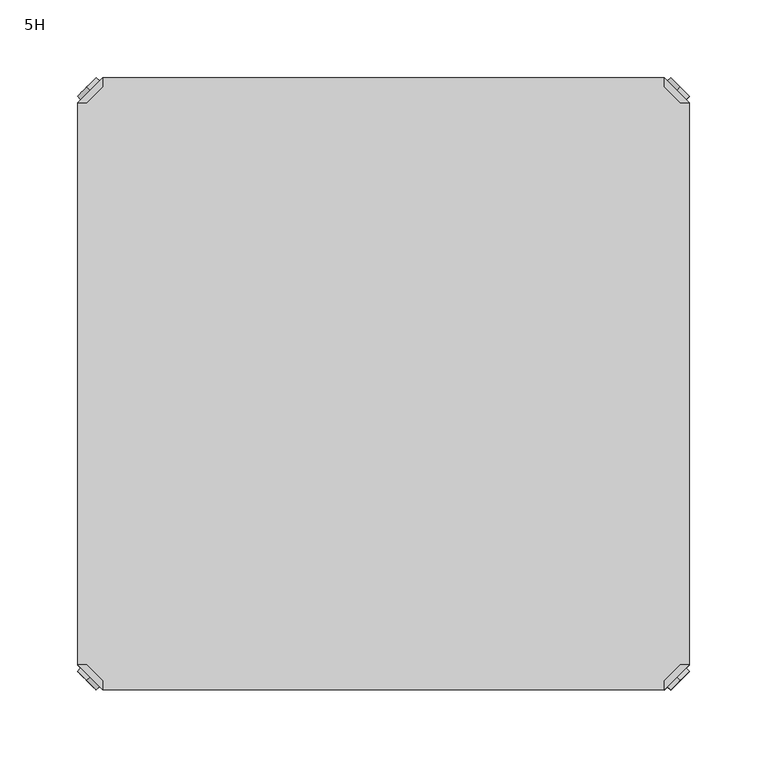
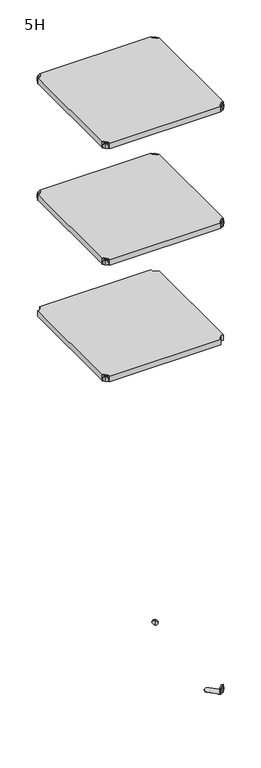
"""IFC4 building model written with IfcOpenShell, lengths in millimetres: furniture geometry, 5H."""

from ifc_helpers import new_model, si_unit, frame, origin, place, context, project, spatial, polyline, circle_curve, outline, extrude, source, transform, mapped, element, save
from ifc_brep_helpers import plane_surface, cylinder_surface, advanced_brep


def furniture_5h_ab9f8e36(model_context):
    return source(origin(), model_context, "Body", "SolidModel", [
        advanced_brep(
        [(10.9601551, 10.9601551, 1298.5), (10.9601551, 10.9601551, 1307.0), (10.9601551, 10.9601551, 1315.5), (8.8388348, 8.8388348, 1298.5), (8.8388348, 8.8388348, 1315.5), (8.8388348, 8.8388348, 1307.0)],
        [
            (0, 1),
            (1, 2),
            (2, 0, circle_curve(frame((10.9601551, 10.9601551, 1307.0), z_axis=(0.7071067811865464, 0.7071067811865487, 0.0), x_axis=(0.0, 0.0, 1.0)), 8.5)),
            (0, 2, circle_curve(frame((10.9601551, 10.9601551, 1307.0), z_axis=(0.7071067811865464, 0.7071067811865487, 0.0), x_axis=(0.0, 0.0, 1.0)), 8.5)),
            (3, 0),
            (2, 4),
            (4, 3, circle_curve(frame((8.8388348, 8.8388348, 1307.0), z_axis=(0.7071067811865464, 0.7071067811865487, 0.0), x_axis=(0.0, 0.0, 1.0)), 8.5)),
            (3, 4, circle_curve(frame((8.8388348, 8.8388348, 1307.0), z_axis=(0.7071067811865464, 0.7071067811865487, 0.0), x_axis=(0.0, 0.0, 1.0)), 8.5)),
            (5, 3),
            (4, 5),
        ],
        [
            plane_surface(frame((10.9601551, 10.9601551, 1307.0), z_axis=(0.707106781186546, 0.7071067811865491, 0.0), x_axis=(0.0, 0.0, 1.0))),
            cylinder_surface(frame((8.8388348, 8.8388348, 1307.0), z_axis=(-0.7071067811865464, -0.7071067811865487, 0.0), x_axis=(0.0, 0.0, 1.0)), 8.5),
            plane_surface(frame((8.8388348, 8.8388348, 1307.0), z_axis=(-0.707106781186546, -0.7071067811865491, 0.0), x_axis=(0.0, 0.0, 1.0))),
        ],
        [
            (0, [[1, 2, 3]]),
            (0, [[-2, -1, 4]]),
            (1, [[5, -3, 6, 7]]),
            (1, [[-6, -4, -5, 8]]),
            (2, [[9, -7, 10]]),
            (2, [[-10, -8, -9]]),
        ],
    ),
        advanced_brep(
        [(18.9203102, 3.0, 1317.0), (18.9203102, 8.6568542, 1317.0), (8.6568542, 18.9203102, 1317.0), (3.0, 18.9203102, 1317.0), (3.0, 18.9203102, 1298.0), (3.0, 18.9203102, 1297.0), (18.9203102, 3.0, 1297.0), (18.9203102, 3.0, 1298.0), (18.9203102, 8.6568542, 1298.0), (8.6568542, 18.9203102, 1298.0), (47.7297077, 31.8093975, 1298.0), (31.8093975, 47.7297077, 1298.0), (31.8093975, 47.7297077, 1297.0), (47.7297077, 31.8093975, 1297.0)],
        [
            (0, 1),
            (1, 2),
            (2, 3),
            (3, 0),
            (3, 4),
            (4, 5),
            (5, 6),
            (6, 7),
            (7, 0),
            (1, 8),
            (8, 9),
            (9, 2),
            (7, 8),
            (9, 4),
            (7, 10),
            (10, 11, circle_curve(frame((39.7695526, 39.7695526, 1298.0), z_axis=(0.0, 0.0, 1.0), x_axis=(1.0, 0.0, 0.0)), 11.2573593)),
            (11, 4),
            (5, 12),
            (12, 13, circle_curve(frame((39.7695526, 39.7695526, 1297.0), z_axis=(0.0, 0.0, -1.0), x_axis=(1.0, 0.0, 0.0)), 11.2573593)),
            (13, 6),
            (11, 12),
            (10, 13),
        ],
        [
            plane_surface(frame((-38.8756299, 60.7959401, 1317.0), z_axis=(0.0, 0.0, 1.0000000000000002), x_axis=(-0.7071067811865557, 0.7071067811865395, 0.0))),
            plane_surface(frame((18.9203102, 3.0, 1317.0), z_axis=(-0.7071067811865395, -0.7071067811865557, 0.0), x_axis=(0.0, 0.0, -1.0))),
            plane_surface(frame((8.6568542, 18.9203102, 1317.0), z_axis=(0.7071067811865481, 0.7071067811865469, 0.0), x_axis=(0.0, 0.0, -1.0))),
            plane_surface(frame((18.9203102, 8.6568542, 1317.0), z_axis=(1.0, 0.0, 0.0), x_axis=(0.0, 0.0, -1.0))),
            plane_surface(frame((3.0, 18.9203102, 1317.0), z_axis=(0.0, 1.0, 0.0), x_axis=(0.0, 0.0, -1.0))),
            plane_surface(frame((3.0, 18.9203102, 1298.0), z_axis=(0.0, 0.0, 1.0), x_axis=(-0.7071067811865485, 0.7071067811865466, 0.0))),
            plane_surface(frame((3.0, 18.9203102, 1297.0), z_axis=(0.0, 0.0, -1.0), x_axis=(0.7071067811865485, -0.7071067811865466, 0.0))),
            plane_surface(frame((3.0, 18.9203102, 1298.0), z_axis=(-0.7071067811865491, 0.707106781186546, 0.0), x_axis=(0.0, 0.0, -1.0))),
            cylinder_surface(frame((39.7695526, 39.7695526, 1297.0), z_axis=(0.0, 0.0, 1.0), x_axis=(1.0, 0.0, 0.0)), 11.2573593),
            plane_surface(frame((47.7297077, 31.8093975, 1298.0), z_axis=(0.707106781186548, -0.7071067811865471, 0.0), x_axis=(0.0, 0.0, -1.0))),
        ],
        [
            (0, [[1, 2, 3, 4]]),
            (1, [[5, 6, 7, 8, 9, -4]]),
            (2, [[10, 11, 12, -2]]),
            (3, [[-9, 13, -10, -1]]),
            (4, [[-12, 14, -5, -3]]),
            (5, [[-14, -11, -13, 15, 16, 17]]),
            (6, [[-7, 18, 19, 20]]),
            (7, [[21, -18, -6, -17]]),
            (8, [[22, -19, -21, -16]]),
            (9, [[-8, -20, -22, -15]]),
        ],
    ),
        extrude(outline(polyline([(381.0796898, 3.0), (18.9203102, 3.0), (18.9203102, 8.6568542), (8.6568542, 18.9203102), (3.0, 18.9203102), (3.0, 381.0796898), (8.6568542, 381.0796898), (18.9203102, 391.3431458), (18.9203102, 397.0), (381.0796898, 397.0), (381.0796898, 391.3431458), (391.3431458, 381.0796898), (397.0, 381.0796898), (397.0, 18.9203102), (391.3431458, 18.9203102), (381.0796898, 8.6568542), (381.0796898, 3.0)])), frame((0.0, 0.0, 1298.0), z_axis=(0.0, 0.0, 1.0), x_axis=(1.0, 0.0, 0.0)), (0.0, 0.0, 1.0), 19.0),
        advanced_brep(
        [(389.0398449, 10.9601551, 1698.5), (389.0398449, 10.9601551, 1715.5), (389.0398449, 10.9601551, 1707.0), (391.1611652, 8.8388348, 1698.5), (391.1611652, 8.8388348, 1715.5), (391.1611652, 8.8388348, 1707.0)],
        [
            (0, 1, circle_curve(frame((389.0398449, 10.9601551, 1707.0), z_axis=(-0.7071067811865556, 0.7071067811865395, 0.0), x_axis=(0.0, 0.0, 1.0)), 8.5)),
            (1, 2),
            (2, 0),
            (1, 0, circle_curve(frame((389.0398449, 10.9601551, 1707.0), z_axis=(-0.7071067811865556, 0.7071067811865395, 0.0), x_axis=(0.0, 0.0, 1.0)), 8.5)),
            (3, 4, circle_curve(frame((391.1611652, 8.8388348, 1707.0), z_axis=(-0.7071067811865556, 0.7071067811865395, 0.0), x_axis=(0.0, 0.0, 1.0)), 8.5)),
            (4, 1),
            (0, 3),
            (4, 3, circle_curve(frame((391.1611652, 8.8388348, 1707.0), z_axis=(-0.7071067811865556, 0.7071067811865395, 0.0), x_axis=(0.0, 0.0, 1.0)), 8.5)),
            (5, 4),
            (3, 5),
        ],
        [
            plane_surface(frame((389.0398449, 10.9601551, 1707.0), z_axis=(-0.7071067811865552, 0.7071067811865399, 0.0), x_axis=(0.0, 0.0, 1.0))),
            cylinder_surface(frame((391.1611652, 8.8388348, 1707.0), z_axis=(0.7071067811865556, -0.7071067811865395, 0.0), x_axis=(0.0, 0.0, 1.0)), 8.5),
            plane_surface(frame((391.1611652, 8.8388348, 1707.0), z_axis=(0.7071067811865552, -0.7071067811865399, 0.0), x_axis=(0.0, 0.0, 1.0))),
        ],
        [
            (0, [[1, 2, 3]]),
            (0, [[4, -3, -2]]),
            (1, [[5, 6, -1, 7]]),
            (1, [[8, -7, -4, -6]]),
            (2, [[9, -5, 10]]),
            (2, [[-10, -8, -9]]),
        ],
    ),
        advanced_brep(
        [(381.0796898, 3.0, 1717.0), (397.0, 18.9203102, 1717.0), (391.3431458, 18.9203102, 1717.0), (381.0796898, 8.6568542, 1717.0), (381.0796898, 3.0, 1698.0), (381.0796898, 3.0, 1697.0), (397.0, 18.9203102, 1697.0), (397.0, 18.9203102, 1698.0), (391.3431458, 18.9203102, 1698.0), (381.0796898, 8.6568542, 1698.0), (368.1906025, 47.7297077, 1698.0), (352.2702923, 31.8093975, 1698.0), (352.2702923, 31.8093975, 1697.0), (368.1906025, 47.7297077, 1697.0)],
        [
            (0, 1),
            (1, 2),
            (2, 3),
            (3, 0),
            (0, 4),
            (4, 5),
            (5, 6),
            (6, 7),
            (7, 1),
            (2, 8),
            (8, 9),
            (9, 3),
            (9, 4),
            (7, 8),
            (7, 10),
            (10, 11, circle_curve(frame((360.2304474, 39.7695526, 1698.0), z_axis=(0.0, 0.0, 1.0), x_axis=(-1.0, 0.0, 0.0)), 11.2573593)),
            (11, 4),
            (5, 12),
            (12, 13, circle_curve(frame((360.2304474, 39.7695526, 1697.0), z_axis=(0.0, 0.0, -1.0), x_axis=(-1.0, 0.0, 0.0)), 11.2573593)),
            (13, 6),
            (13, 10),
            (12, 11),
        ],
        [
            plane_surface(frame((438.8756299, 60.7959401, 1717.0), z_axis=(0.0, 0.0, 1.0000000000000002), x_axis=(0.7071067811865465, 0.7071067811865487, 0.0))),
            plane_surface(frame((381.0796898, 3.0, 1717.0), z_axis=(0.7071067811865487, -0.7071067811865465, 0.0), x_axis=(0.0, 0.0, -1.0))),
            plane_surface(frame((391.3431458, 18.9203102, 1717.0), z_axis=(-0.7071067811865573, 0.7071067811865377, 0.0), x_axis=(0.0, 0.0, -1.0))),
            plane_surface(frame((381.0796898, 8.6568542, 1717.0), z_axis=(-1.0, 0.0, 0.0), x_axis=(0.0, 0.0, -1.0))),
            plane_surface(frame((397.0, 18.9203102, 1717.0), z_axis=(0.0, 1.0, 0.0), x_axis=(0.0, 0.0, -1.0))),
            plane_surface(frame((397.0, 18.9203102, 1698.0), z_axis=(0.0, 0.0, 1.0), x_axis=(0.7071067811865392, 0.7071067811865558, 0.0))),
            plane_surface(frame((397.0, 18.9203102, 1697.0), z_axis=(0.0, 0.0, -1.0), x_axis=(-0.7071067811865392, -0.7071067811865558, 0.0))),
            plane_surface(frame((397.0, 18.9203102, 1698.0), z_axis=(0.7071067811865399, 0.7071067811865552, 0.0), x_axis=(0.0, 0.0, -1.0))),
            cylinder_surface(frame((360.2304474, 39.7695526, 1697.0), z_axis=(0.0, 0.0, 1.0), x_axis=(-1.0, 0.0, 0.0)), 11.2573593),
            plane_surface(frame((352.2702923, 31.8093975, 1698.0), z_axis=(-0.7071067811865388, -0.7071067811865563, 0.0), x_axis=(0.0, 0.0, -1.0))),
        ],
        [
            (0, [[1, 2, 3, 4]]),
            (1, [[-1, 5, 6, 7, 8, 9]]),
            (2, [[-3, 10, 11, 12]]),
            (3, [[-4, -12, 13, -5]]),
            (4, [[-2, -9, 14, -10]]),
            (5, [[15, 16, 17, -13, -11, -14]]),
            (6, [[18, 19, 20, -7]]),
            (7, [[-15, -8, -20, 21]]),
            (8, [[-16, -21, -19, 22]]),
            (9, [[-17, -22, -18, -6]]),
        ],
    ),
        advanced_brep(
        [(389.0398449, 389.0398449, 1698.5), (389.0398449, 389.0398449, 1707.0), (389.0398449, 389.0398449, 1715.5), (391.1611652, 391.1611652, 1698.5), (391.1611652, 391.1611652, 1715.5), (391.1611652, 391.1611652, 1707.0)],
        [
            (0, 1),
            (1, 2),
            (2, 0, circle_curve(frame((389.0398449, 389.0398449, 1707.0), z_axis=(-0.7071067811865509, -0.7071067811865441, 0.0), x_axis=(0.0, 0.0, 1.0)), 8.5)),
            (0, 2, circle_curve(frame((389.0398449, 389.0398449, 1707.0), z_axis=(-0.7071067811865509, -0.7071067811865441, 0.0), x_axis=(0.0, 0.0, 1.0)), 8.5)),
            (3, 0),
            (2, 4),
            (4, 3, circle_curve(frame((391.1611652, 391.1611652, 1707.0), z_axis=(-0.7071067811865509, -0.7071067811865441, 0.0), x_axis=(0.0, 0.0, 1.0)), 8.5)),
            (3, 4, circle_curve(frame((391.1611652, 391.1611652, 1707.0), z_axis=(-0.7071067811865509, -0.7071067811865441, 0.0), x_axis=(0.0, 0.0, 1.0)), 8.5)),
            (5, 3),
            (4, 5),
        ],
        [
            plane_surface(frame((389.0398449, 389.0398449, 1707.0), z_axis=(-0.7071067811865506, -0.7071067811865446, 0.0), x_axis=(0.0, 0.0, 1.0))),
            cylinder_surface(frame((391.1611652, 391.1611652, 1707.0), z_axis=(0.7071067811865509, 0.7071067811865441, 0.0), x_axis=(0.0, 0.0, 1.0)), 8.5),
            plane_surface(frame((391.1611652, 391.1611652, 1707.0), z_axis=(0.7071067811865506, 0.7071067811865446, 0.0), x_axis=(0.0, 0.0, 1.0))),
        ],
        [
            (0, [[1, 2, 3]]),
            (0, [[-2, -1, 4]]),
            (1, [[5, -3, 6, 7]]),
            (1, [[-6, -4, -5, 8]]),
            (2, [[9, -7, 10]]),
            (2, [[-10, -8, -9]]),
        ],
    ),
        advanced_brep(
        [(381.0796898, 397.0, 1717.0), (381.0796898, 391.3431458, 1717.0), (391.3431458, 381.0796898, 1717.0), (397.0, 381.0796898, 1717.0), (397.0, 381.0796898, 1698.0), (397.0, 381.0796898, 1697.0), (381.0796898, 397.0, 1697.0), (381.0796898, 397.0, 1698.0), (381.0796898, 391.3431458, 1698.0), (391.3431458, 381.0796898, 1698.0), (352.2702923, 368.1906025, 1698.0), (368.1906025, 352.2702923, 1698.0), (368.1906025, 352.2702923, 1697.0), (352.2702923, 368.1906025, 1697.0)],
        [
            (0, 1),
            (1, 2),
            (2, 3),
            (3, 0),
            (3, 4),
            (4, 5),
            (5, 6),
            (6, 7),
            (7, 0),
            (1, 8),
            (8, 9),
            (9, 2),
            (7, 8),
            (9, 4),
            (7, 10),
            (10, 11, circle_curve(frame((360.2304474, 360.2304474, 1698.0), z_axis=(0.0, 0.0, 1.0), x_axis=(-1.0, 0.0, 0.0)), 11.2573593)),
            (11, 4),
            (5, 12),
            (12, 13, circle_curve(frame((360.2304474, 360.2304474, 1697.0), z_axis=(0.0, 0.0, -1.0), x_axis=(-1.0, 0.0, 0.0)), 11.2573593)),
            (13, 6),
            (11, 12),
            (10, 13),
        ],
        [
            plane_surface(frame((438.8756299, 339.2040599, 1717.0), z_axis=(0.0, 0.0, 1.0000000000000002), x_axis=(0.7071067811865511, -0.707106781186544, 0.0))),
            plane_surface(frame((381.0796898, 397.0, 1717.0), z_axis=(0.707106781186544, 0.7071067811865511, 0.0), x_axis=(0.0, 0.0, -1.0))),
            plane_surface(frame((391.3431458, 381.0796898, 1717.0), z_axis=(-0.7071067811865527, -0.7071067811865424, 0.0), x_axis=(0.0, 0.0, -1.0))),
            plane_surface(frame((381.0796898, 391.3431458, 1717.0), z_axis=(-1.0, 0.0, 0.0), x_axis=(0.0, 0.0, -1.0))),
            plane_surface(frame((397.0, 381.0796898, 1717.0), z_axis=(0.0, -1.0, 0.0), x_axis=(0.0, 0.0, -1.0))),
            plane_surface(frame((397.0, 381.0796898, 1698.0), z_axis=(0.0, 0.0, 1.0), x_axis=(0.7071067811865439, -0.7071067811865511, 0.0))),
            plane_surface(frame((397.0, 381.0796898, 1697.0), z_axis=(0.0, 0.0, -1.0), x_axis=(-0.7071067811865439, 0.7071067811865511, 0.0))),
            plane_surface(frame((397.0, 381.0796898, 1698.0), z_axis=(0.7071067811865446, -0.7071067811865506, 0.0), x_axis=(0.0, 0.0, -1.0))),
            cylinder_surface(frame((360.2304474, 360.2304474, 1697.0), z_axis=(0.0, 0.0, 1.0), x_axis=(-1.0, 0.0, 0.0)), 11.2573593),
            plane_surface(frame((352.2702923, 368.1906025, 1698.0), z_axis=(-0.7071067811865435, 0.7071067811865517, 0.0), x_axis=(0.0, 0.0, -1.0))),
        ],
        [
            (0, [[1, 2, 3, 4]]),
            (1, [[5, 6, 7, 8, 9, -4]]),
            (2, [[10, 11, 12, -2]]),
            (3, [[-9, 13, -10, -1]]),
            (4, [[-12, 14, -5, -3]]),
            (5, [[-14, -11, -13, 15, 16, 17]]),
            (6, [[-7, 18, 19, 20]]),
            (7, [[21, -18, -6, -17]]),
            (8, [[22, -19, -21, -16]]),
            (9, [[-8, -20, -22, -15]]),
        ],
    ),
        advanced_brep(
        [(10.9601551, 389.0398449, 1698.5), (10.9601551, 389.0398449, 1715.5), (10.9601551, 389.0398449, 1707.0), (8.8388348, 391.1611652, 1698.5), (8.8388348, 391.1611652, 1715.5), (8.8388348, 391.1611652, 1707.0)],
        [
            (0, 1, circle_curve(frame((10.9601551, 389.0398449, 1707.0), z_axis=(0.7071067811865509, -0.7071067811865441, 0.0), x_axis=(0.0, 0.0, 1.0)), 8.5)),
            (1, 2),
            (2, 0),
            (1, 0, circle_curve(frame((10.9601551, 389.0398449, 1707.0), z_axis=(0.7071067811865509, -0.7071067811865441, 0.0), x_axis=(0.0, 0.0, 1.0)), 8.5)),
            (3, 4, circle_curve(frame((8.8388348, 391.1611652, 1707.0), z_axis=(0.7071067811865509, -0.7071067811865441, 0.0), x_axis=(0.0, 0.0, 1.0)), 8.5)),
            (4, 1),
            (0, 3),
            (4, 3, circle_curve(frame((8.8388348, 391.1611652, 1707.0), z_axis=(0.7071067811865509, -0.7071067811865441, 0.0), x_axis=(0.0, 0.0, 1.0)), 8.5)),
            (5, 4),
            (3, 5),
        ],
        [
            plane_surface(frame((10.9601551, 389.0398449, 1707.0), z_axis=(0.7071067811865506, -0.7071067811865446, 0.0), x_axis=(0.0, 0.0, 1.0))),
            cylinder_surface(frame((8.8388348, 391.1611652, 1707.0), z_axis=(-0.7071067811865509, 0.7071067811865441, 0.0), x_axis=(0.0, 0.0, 1.0)), 8.5),
            plane_surface(frame((8.8388348, 391.1611652, 1707.0), z_axis=(-0.7071067811865506, 0.7071067811865446, 0.0), x_axis=(0.0, 0.0, 1.0))),
        ],
        [
            (0, [[1, 2, 3]]),
            (0, [[4, -3, -2]]),
            (1, [[5, 6, -1, 7]]),
            (1, [[8, -7, -4, -6]]),
            (2, [[9, -5, 10]]),
            (2, [[-10, -8, -9]]),
        ],
    ),
        advanced_brep(
        [(18.9203102, 397.0, 1717.0), (3.0, 381.0796898, 1717.0), (8.6568542, 381.0796898, 1717.0), (18.9203102, 391.3431458, 1717.0), (18.9203102, 397.0, 1698.0), (18.9203102, 397.0, 1697.0), (3.0, 381.0796898, 1697.0), (3.0, 381.0796898, 1698.0), (8.6568542, 381.0796898, 1698.0), (18.9203102, 391.3431458, 1698.0), (31.8093975, 352.2702923, 1698.0), (47.7297077, 368.1906025, 1698.0), (47.7297077, 368.1906025, 1697.0), (31.8093975, 352.2702923, 1697.0)],
        [
            (0, 1),
            (1, 2),
            (2, 3),
            (3, 0),
            (0, 4),
            (4, 5),
            (5, 6),
            (6, 7),
            (7, 1),
            (2, 8),
            (8, 9),
            (9, 3),
            (9, 4),
            (7, 8),
            (7, 10),
            (10, 11, circle_curve(frame((39.7695526, 360.2304474, 1698.0), z_axis=(0.0, 0.0, 1.0), x_axis=(1.0, 0.0, 0.0)), 11.2573593)),
            (11, 4),
            (5, 12),
            (12, 13, circle_curve(frame((39.7695526, 360.2304474, 1697.0), z_axis=(0.0, 0.0, -1.0), x_axis=(1.0, 0.0, 0.0)), 11.2573593)),
            (13, 6),
            (13, 10),
            (12, 11),
        ],
        [
            plane_surface(frame((-38.8756299, 339.2040599, 1717.0), z_axis=(0.0, 0.0, 1.0000000000000002), x_axis=(-0.7071067811865511, -0.707106781186544, 0.0))),
            plane_surface(frame((18.9203102, 397.0, 1717.0), z_axis=(-0.707106781186544, 0.7071067811865511, 0.0), x_axis=(0.0, 0.0, -1.0))),
            plane_surface(frame((8.6568542, 381.0796898, 1717.0), z_axis=(0.7071067811865527, -0.7071067811865424, 0.0), x_axis=(0.0, 0.0, -1.0))),
            plane_surface(frame((18.9203102, 391.3431458, 1717.0), z_axis=(1.0, 0.0, 0.0), x_axis=(0.0, 0.0, -1.0))),
            plane_surface(frame((3.0, 381.0796898, 1717.0), z_axis=(0.0, -1.0, 0.0), x_axis=(0.0, 0.0, -1.0))),
            plane_surface(frame((3.0, 381.0796898, 1698.0), z_axis=(0.0, 0.0, 1.0), x_axis=(-0.7071067811865439, -0.7071067811865511, 0.0))),
            plane_surface(frame((3.0, 381.0796898, 1697.0), z_axis=(0.0, 0.0, -1.0), x_axis=(0.7071067811865439, 0.7071067811865511, 0.0))),
            plane_surface(frame((3.0, 381.0796898, 1698.0), z_axis=(-0.7071067811865446, -0.7071067811865506, 0.0), x_axis=(0.0, 0.0, -1.0))),
            cylinder_surface(frame((39.7695526, 360.2304474, 1697.0), z_axis=(0.0, 0.0, 1.0), x_axis=(1.0, 0.0, 0.0)), 11.2573593),
            plane_surface(frame((47.7297077, 368.1906025, 1698.0), z_axis=(0.7071067811865435, 0.7071067811865517, 0.0), x_axis=(0.0, 0.0, -1.0))),
        ],
        [
            (0, [[1, 2, 3, 4]]),
            (1, [[-1, 5, 6, 7, 8, 9]]),
            (2, [[-3, 10, 11, 12]]),
            (3, [[-4, -12, 13, -5]]),
            (4, [[-2, -9, 14, -10]]),
            (5, [[15, 16, 17, -13, -11, -14]]),
            (6, [[18, 19, 20, -7]]),
            (7, [[-15, -8, -20, 21]]),
            (8, [[-16, -21, -19, 22]]),
            (9, [[-17, -22, -18, -6]]),
        ],
    ),
        advanced_brep(
        [(10.9601551, 10.9601551, 1698.5), (10.9601551, 10.9601551, 1707.0), (10.9601551, 10.9601551, 1715.5), (8.8388348, 8.8388348, 1698.5), (8.8388348, 8.8388348, 1715.5), (8.8388348, 8.8388348, 1707.0)],
        [
            (0, 1),
            (1, 2),
            (2, 0, circle_curve(frame((10.9601551, 10.9601551, 1707.0), z_axis=(0.7071067811865464, 0.7071067811865487, 0.0), x_axis=(0.0, 0.0, 1.0)), 8.5)),
            (0, 2, circle_curve(frame((10.9601551, 10.9601551, 1707.0), z_axis=(0.7071067811865464, 0.7071067811865487, 0.0), x_axis=(0.0, 0.0, 1.0)), 8.5)),
            (3, 0),
            (2, 4),
            (4, 3, circle_curve(frame((8.8388348, 8.8388348, 1707.0), z_axis=(0.7071067811865464, 0.7071067811865487, 0.0), x_axis=(0.0, 0.0, 1.0)), 8.5)),
            (3, 4, circle_curve(frame((8.8388348, 8.8388348, 1707.0), z_axis=(0.7071067811865464, 0.7071067811865487, 0.0), x_axis=(0.0, 0.0, 1.0)), 8.5)),
            (5, 3),
            (4, 5),
        ],
        [
            plane_surface(frame((10.9601551, 10.9601551, 1707.0), z_axis=(0.707106781186546, 0.7071067811865491, 0.0), x_axis=(0.0, 0.0, 1.0))),
            cylinder_surface(frame((8.8388348, 8.8388348, 1707.0), z_axis=(-0.7071067811865464, -0.7071067811865487, 0.0), x_axis=(0.0, 0.0, 1.0)), 8.5),
            plane_surface(frame((8.8388348, 8.8388348, 1707.0), z_axis=(-0.707106781186546, -0.7071067811865491, 0.0), x_axis=(0.0, 0.0, 1.0))),
        ],
        [
            (0, [[1, 2, 3]]),
            (0, [[-2, -1, 4]]),
            (1, [[5, -3, 6, 7]]),
            (1, [[-6, -4, -5, 8]]),
            (2, [[9, -7, 10]]),
            (2, [[-10, -8, -9]]),
        ],
    ),
        advanced_brep(
        [(18.9203102, 3.0, 1717.0), (18.9203102, 8.6568542, 1717.0), (8.6568542, 18.9203102, 1717.0), (3.0, 18.9203102, 1717.0), (3.0, 18.9203102, 1698.0), (3.0, 18.9203102, 1697.0), (18.9203102, 3.0, 1697.0), (18.9203102, 3.0, 1698.0), (18.9203102, 8.6568542, 1698.0), (8.6568542, 18.9203102, 1698.0), (47.7297077, 31.8093975, 1698.0), (31.8093975, 47.7297077, 1698.0), (31.8093975, 47.7297077, 1697.0), (47.7297077, 31.8093975, 1697.0)],
        [
            (0, 1),
            (1, 2),
            (2, 3),
            (3, 0),
            (3, 4),
            (4, 5),
            (5, 6),
            (6, 7),
            (7, 0),
            (1, 8),
            (8, 9),
            (9, 2),
            (7, 8),
            (9, 4),
            (7, 10),
            (10, 11, circle_curve(frame((39.7695526, 39.7695526, 1698.0), z_axis=(0.0, 0.0, 1.0), x_axis=(1.0, 0.0, 0.0)), 11.2573593)),
            (11, 4),
            (5, 12),
            (12, 13, circle_curve(frame((39.7695526, 39.7695526, 1697.0), z_axis=(0.0, 0.0, -1.0), x_axis=(1.0, 0.0, 0.0)), 11.2573593)),
            (13, 6),
            (11, 12),
            (10, 13),
        ],
        [
            plane_surface(frame((-38.8756299, 60.7959401, 1717.0), z_axis=(0.0, 0.0, 1.0000000000000002), x_axis=(-0.7071067811865557, 0.7071067811865395, 0.0))),
            plane_surface(frame((18.9203102, 3.0, 1717.0), z_axis=(-0.7071067811865395, -0.7071067811865557, 0.0), x_axis=(0.0, 0.0, -1.0))),
            plane_surface(frame((8.6568542, 18.9203102, 1717.0), z_axis=(0.7071067811865481, 0.7071067811865469, 0.0), x_axis=(0.0, 0.0, -1.0))),
            plane_surface(frame((18.9203102, 8.6568542, 1717.0), z_axis=(1.0, 0.0, 0.0), x_axis=(0.0, 0.0, -1.0))),
            plane_surface(frame((3.0, 18.9203102, 1717.0), z_axis=(0.0, 1.0, 0.0), x_axis=(0.0, 0.0, -1.0))),
            plane_surface(frame((3.0, 18.9203102, 1698.0), z_axis=(0.0, 0.0, 1.0), x_axis=(-0.7071067811865485, 0.7071067811865466, 0.0))),
            plane_surface(frame((3.0, 18.9203102, 1697.0), z_axis=(0.0, 0.0, -1.0), x_axis=(0.7071067811865485, -0.7071067811865466, 0.0))),
            plane_surface(frame((3.0, 18.9203102, 1698.0), z_axis=(-0.7071067811865491, 0.707106781186546, 0.0), x_axis=(0.0, 0.0, -1.0))),
            cylinder_surface(frame((39.7695526, 39.7695526, 1697.0), z_axis=(0.0, 0.0, 1.0), x_axis=(1.0, 0.0, 0.0)), 11.2573593),
            plane_surface(frame((47.7297077, 31.8093975, 1698.0), z_axis=(0.707106781186548, -0.7071067811865471, 0.0), x_axis=(0.0, 0.0, -1.0))),
        ],
        [
            (0, [[1, 2, 3, 4]]),
            (1, [[5, 6, 7, 8, 9, -4]]),
            (2, [[10, 11, 12, -2]]),
            (3, [[-9, 13, -10, -1]]),
            (4, [[-12, 14, -5, -3]]),
            (5, [[-14, -11, -13, 15, 16, 17]]),
            (6, [[-7, 18, 19, 20]]),
            (7, [[21, -18, -6, -17]]),
            (8, [[22, -19, -21, -16]]),
            (9, [[-8, -20, -22, -15]]),
        ],
    ),
        extrude(outline(polyline([(381.0796898, 3.0), (18.9203102, 3.0), (18.9203102, 8.6568542), (8.6568542, 18.9203102), (3.0, 18.9203102), (3.0, 381.0796898), (8.6568542, 381.0796898), (18.9203102, 391.3431458), (18.9203102, 397.0), (381.0796898, 397.0), (381.0796898, 391.3431458), (391.3431458, 381.0796898), (397.0, 381.0796898), (397.0, 18.9203102), (391.3431458, 18.9203102), (381.0796898, 8.6568542), (381.0796898, 3.0)])), frame((0.0, 0.0, 1698.0), z_axis=(0.0, 0.0, 1.0), x_axis=(1.0, 0.0, 0.0)), (0.0, 0.0, 1.0), 19.0),
        advanced_brep(
        [(389.0398449, 10.9601551, 2098.5), (389.0398449, 10.9601551, 2115.5), (389.0398449, 10.9601551, 2107.0), (391.1611652, 8.8388348, 2098.5), (391.1611652, 8.8388348, 2115.5), (391.1611652, 8.8388348, 2107.0)],
        [
            (0, 1, circle_curve(frame((389.0398449, 10.9601551, 2107.0), z_axis=(-0.7071067811865556, 0.7071067811865395, 0.0), x_axis=(0.0, 0.0, 1.0)), 8.5)),
            (1, 2),
            (2, 0),
            (1, 0, circle_curve(frame((389.0398449, 10.9601551, 2107.0), z_axis=(-0.7071067811865556, 0.7071067811865395, 0.0), x_axis=(0.0, 0.0, 1.0)), 8.5)),
            (3, 4, circle_curve(frame((391.1611652, 8.8388348, 2107.0), z_axis=(-0.7071067811865556, 0.7071067811865395, 0.0), x_axis=(0.0, 0.0, 1.0)), 8.5)),
            (4, 1),
            (0, 3),
            (4, 3, circle_curve(frame((391.1611652, 8.8388348, 2107.0), z_axis=(-0.7071067811865556, 0.7071067811865395, 0.0), x_axis=(0.0, 0.0, 1.0)), 8.5)),
            (5, 4),
            (3, 5),
        ],
        [
            plane_surface(frame((389.0398449, 10.9601551, 2107.0), z_axis=(-0.7071067811865552, 0.7071067811865399, 0.0), x_axis=(0.0, 0.0, 1.0))),
            cylinder_surface(frame((391.1611652, 8.8388348, 2107.0), z_axis=(0.7071067811865556, -0.7071067811865395, 0.0), x_axis=(0.0, 0.0, 1.0)), 8.5),
            plane_surface(frame((391.1611652, 8.8388348, 2107.0), z_axis=(0.7071067811865552, -0.7071067811865399, 0.0), x_axis=(0.0, 0.0, 1.0))),
        ],
        [
            (0, [[1, 2, 3]]),
            (0, [[4, -3, -2]]),
            (1, [[5, 6, -1, 7]]),
            (1, [[8, -7, -4, -6]]),
            (2, [[9, -5, 10]]),
            (2, [[-10, -8, -9]]),
        ],
    ),
        advanced_brep(
        [(381.0796898, 3.0, 2117.0), (397.0, 18.9203102, 2117.0), (391.3431458, 18.9203102, 2117.0), (381.0796898, 8.6568542, 2117.0), (381.0796898, 3.0, 2098.0), (381.0796898, 3.0, 2097.0), (397.0, 18.9203102, 2097.0), (397.0, 18.9203102, 2098.0), (391.3431458, 18.9203102, 2098.0), (381.0796898, 8.6568542, 2098.0), (368.1906025, 47.7297077, 2098.0), (352.2702923, 31.8093975, 2098.0), (352.2702923, 31.8093975, 2097.0), (368.1906025, 47.7297077, 2097.0)],
        [
            (0, 1),
            (1, 2),
            (2, 3),
            (3, 0),
            (0, 4),
            (4, 5),
            (5, 6),
            (6, 7),
            (7, 1),
            (2, 8),
            (8, 9),
            (9, 3),
            (9, 4),
            (7, 8),
            (7, 10),
            (10, 11, circle_curve(frame((360.2304474, 39.7695526, 2098.0), z_axis=(0.0, 0.0, 1.0), x_axis=(-1.0, 0.0, 0.0)), 11.2573593)),
            (11, 4),
            (5, 12),
            (12, 13, circle_curve(frame((360.2304474, 39.7695526, 2097.0), z_axis=(0.0, 0.0, -1.0), x_axis=(-1.0, 0.0, 0.0)), 11.2573593)),
            (13, 6),
            (13, 10),
            (12, 11),
        ],
        [
            plane_surface(frame((438.8756299, 60.7959401, 2117.0), z_axis=(0.0, 0.0, 1.0000000000000002), x_axis=(0.7071067811865465, 0.7071067811865487, 0.0))),
            plane_surface(frame((381.0796898, 3.0, 2117.0), z_axis=(0.7071067811865487, -0.7071067811865465, 0.0), x_axis=(0.0, 0.0, -1.0))),
            plane_surface(frame((391.3431458, 18.9203102, 2117.0), z_axis=(-0.7071067811865573, 0.7071067811865377, 0.0), x_axis=(0.0, 0.0, -1.0))),
            plane_surface(frame((381.0796898, 8.6568542, 2117.0), z_axis=(-1.0, 0.0, 0.0), x_axis=(0.0, 0.0, -1.0))),
            plane_surface(frame((397.0, 18.9203102, 2117.0), z_axis=(0.0, 1.0, 0.0), x_axis=(0.0, 0.0, -1.0))),
            plane_surface(frame((397.0, 18.9203102, 2098.0), z_axis=(0.0, 0.0, 1.0), x_axis=(0.7071067811865392, 0.7071067811865558, 0.0))),
            plane_surface(frame((397.0, 18.9203102, 2097.0), z_axis=(0.0, 0.0, -1.0), x_axis=(-0.7071067811865392, -0.7071067811865558, 0.0))),
            plane_surface(frame((397.0, 18.9203102, 2098.0), z_axis=(0.7071067811865399, 0.7071067811865552, 0.0), x_axis=(0.0, 0.0, -1.0))),
            cylinder_surface(frame((360.2304474, 39.7695526, 2097.0), z_axis=(0.0, 0.0, 1.0), x_axis=(-1.0, 0.0, 0.0)), 11.2573593),
            plane_surface(frame((352.2702923, 31.8093975, 2098.0), z_axis=(-0.7071067811865388, -0.7071067811865563, 0.0), x_axis=(0.0, 0.0, -1.0))),
        ],
        [
            (0, [[1, 2, 3, 4]]),
            (1, [[-1, 5, 6, 7, 8, 9]]),
            (2, [[-3, 10, 11, 12]]),
            (3, [[-4, -12, 13, -5]]),
            (4, [[-2, -9, 14, -10]]),
            (5, [[15, 16, 17, -13, -11, -14]]),
            (6, [[18, 19, 20, -7]]),
            (7, [[-15, -8, -20, 21]]),
            (8, [[-16, -21, -19, 22]]),
            (9, [[-17, -22, -18, -6]]),
        ],
    ),
        advanced_brep(
        [(389.0398449, 389.0398449, 2098.5), (389.0398449, 389.0398449, 2107.0), (389.0398449, 389.0398449, 2115.5), (391.1611652, 391.1611652, 2098.5), (391.1611652, 391.1611652, 2115.5), (391.1611652, 391.1611652, 2107.0)],
        [
            (0, 1),
            (1, 2),
            (2, 0, circle_curve(frame((389.0398449, 389.0398449, 2107.0), z_axis=(-0.7071067811865509, -0.7071067811865441, 0.0), x_axis=(0.0, 0.0, 1.0)), 8.5)),
            (0, 2, circle_curve(frame((389.0398449, 389.0398449, 2107.0), z_axis=(-0.7071067811865509, -0.7071067811865441, 0.0), x_axis=(0.0, 0.0, 1.0)), 8.5)),
            (3, 0),
            (2, 4),
            (4, 3, circle_curve(frame((391.1611652, 391.1611652, 2107.0), z_axis=(-0.7071067811865509, -0.7071067811865441, 0.0), x_axis=(0.0, 0.0, 1.0)), 8.5)),
            (3, 4, circle_curve(frame((391.1611652, 391.1611652, 2107.0), z_axis=(-0.7071067811865509, -0.7071067811865441, 0.0), x_axis=(0.0, 0.0, 1.0)), 8.5)),
            (5, 3),
            (4, 5),
        ],
        [
            plane_surface(frame((389.0398449, 389.0398449, 2107.0), z_axis=(-0.7071067811865506, -0.7071067811865446, 0.0), x_axis=(0.0, 0.0, 1.0))),
            cylinder_surface(frame((391.1611652, 391.1611652, 2107.0), z_axis=(0.7071067811865509, 0.7071067811865441, 0.0), x_axis=(0.0, 0.0, 1.0)), 8.5),
            plane_surface(frame((391.1611652, 391.1611652, 2107.0), z_axis=(0.7071067811865506, 0.7071067811865446, 0.0), x_axis=(0.0, 0.0, 1.0))),
        ],
        [
            (0, [[1, 2, 3]]),
            (0, [[-2, -1, 4]]),
            (1, [[5, -3, 6, 7]]),
            (1, [[-6, -4, -5, 8]]),
            (2, [[9, -7, 10]]),
            (2, [[-10, -8, -9]]),
        ],
    ),
        advanced_brep(
        [(381.0796898, 397.0, 2117.0), (381.0796898, 391.3431458, 2117.0), (391.3431458, 381.0796898, 2117.0), (397.0, 381.0796898, 2117.0), (397.0, 381.0796898, 2098.0), (397.0, 381.0796898, 2097.0), (381.0796898, 397.0, 2097.0), (381.0796898, 397.0, 2098.0), (381.0796898, 391.3431458, 2098.0), (391.3431458, 381.0796898, 2098.0), (352.2702923, 368.1906025, 2098.0), (368.1906025, 352.2702923, 2098.0), (368.1906025, 352.2702923, 2097.0), (352.2702923, 368.1906025, 2097.0)],
        [
            (0, 1),
            (1, 2),
            (2, 3),
            (3, 0),
            (3, 4),
            (4, 5),
            (5, 6),
            (6, 7),
            (7, 0),
            (1, 8),
            (8, 9),
            (9, 2),
            (7, 8),
            (9, 4),
            (7, 10),
            (10, 11, circle_curve(frame((360.2304474, 360.2304474, 2098.0), z_axis=(0.0, 0.0, 1.0), x_axis=(-1.0, 0.0, 0.0)), 11.2573593)),
            (11, 4),
            (5, 12),
            (12, 13, circle_curve(frame((360.2304474, 360.2304474, 2097.0), z_axis=(0.0, 0.0, -1.0), x_axis=(-1.0, 0.0, 0.0)), 11.2573593)),
            (13, 6),
            (11, 12),
            (10, 13),
        ],
        [
            plane_surface(frame((438.8756299, 339.2040599, 2117.0), z_axis=(0.0, 0.0, 1.0000000000000002), x_axis=(0.7071067811865511, -0.707106781186544, 0.0))),
            plane_surface(frame((381.0796898, 397.0, 2117.0), z_axis=(0.707106781186544, 0.7071067811865511, 0.0), x_axis=(0.0, 0.0, -1.0))),
            plane_surface(frame((391.3431458, 381.0796898, 2117.0), z_axis=(-0.7071067811865527, -0.7071067811865424, 0.0), x_axis=(0.0, 0.0, -1.0))),
            plane_surface(frame((381.0796898, 391.3431458, 2117.0), z_axis=(-1.0, 0.0, 0.0), x_axis=(0.0, 0.0, -1.0))),
            plane_surface(frame((397.0, 381.0796898, 2117.0), z_axis=(0.0, -1.0, 0.0), x_axis=(0.0, 0.0, -1.0))),
            plane_surface(frame((397.0, 381.0796898, 2098.0), z_axis=(0.0, 0.0, 1.0), x_axis=(0.7071067811865439, -0.7071067811865511, 0.0))),
            plane_surface(frame((397.0, 381.0796898, 2097.0), z_axis=(0.0, 0.0, -1.0), x_axis=(-0.7071067811865439, 0.7071067811865511, 0.0))),
            plane_surface(frame((397.0, 381.0796898, 2098.0), z_axis=(0.7071067811865446, -0.7071067811865506, 0.0), x_axis=(0.0, 0.0, -1.0))),
            cylinder_surface(frame((360.2304474, 360.2304474, 2097.0), z_axis=(0.0, 0.0, 1.0), x_axis=(-1.0, 0.0, 0.0)), 11.2573593),
            plane_surface(frame((352.2702923, 368.1906025, 2098.0), z_axis=(-0.7071067811865435, 0.7071067811865517, 0.0), x_axis=(0.0, 0.0, -1.0))),
        ],
        [
            (0, [[1, 2, 3, 4]]),
            (1, [[5, 6, 7, 8, 9, -4]]),
            (2, [[10, 11, 12, -2]]),
            (3, [[-9, 13, -10, -1]]),
            (4, [[-12, 14, -5, -3]]),
            (5, [[-14, -11, -13, 15, 16, 17]]),
            (6, [[-7, 18, 19, 20]]),
            (7, [[21, -18, -6, -17]]),
            (8, [[22, -19, -21, -16]]),
            (9, [[-8, -20, -22, -15]]),
        ],
    ),
        advanced_brep(
        [(10.9601551, 389.0398449, 2098.5), (10.9601551, 389.0398449, 2115.5), (10.9601551, 389.0398449, 2107.0), (8.8388348, 391.1611652, 2098.5), (8.8388348, 391.1611652, 2115.5), (8.8388348, 391.1611652, 2107.0)],
        [
            (0, 1, circle_curve(frame((10.9601551, 389.0398449, 2107.0), z_axis=(0.7071067811865509, -0.7071067811865441, 0.0), x_axis=(0.0, 0.0, 1.0)), 8.5)),
            (1, 2),
            (2, 0),
            (1, 0, circle_curve(frame((10.9601551, 389.0398449, 2107.0), z_axis=(0.7071067811865509, -0.7071067811865441, 0.0), x_axis=(0.0, 0.0, 1.0)), 8.5)),
            (3, 4, circle_curve(frame((8.8388348, 391.1611652, 2107.0), z_axis=(0.7071067811865509, -0.7071067811865441, 0.0), x_axis=(0.0, 0.0, 1.0)), 8.5)),
            (4, 1),
            (0, 3),
            (4, 3, circle_curve(frame((8.8388348, 391.1611652, 2107.0), z_axis=(0.7071067811865509, -0.7071067811865441, 0.0), x_axis=(0.0, 0.0, 1.0)), 8.5)),
            (5, 4),
            (3, 5),
        ],
        [
            plane_surface(frame((10.9601551, 389.0398449, 2107.0), z_axis=(0.7071067811865506, -0.7071067811865446, 0.0), x_axis=(0.0, 0.0, 1.0))),
            cylinder_surface(frame((8.8388348, 391.1611652, 2107.0), z_axis=(-0.7071067811865509, 0.7071067811865441, 0.0), x_axis=(0.0, 0.0, 1.0)), 8.5),
            plane_surface(frame((8.8388348, 391.1611652, 2107.0), z_axis=(-0.7071067811865506, 0.7071067811865446, 0.0), x_axis=(0.0, 0.0, 1.0))),
        ],
        [
            (0, [[1, 2, 3]]),
            (0, [[4, -3, -2]]),
            (1, [[5, 6, -1, 7]]),
            (1, [[8, -7, -4, -6]]),
            (2, [[9, -5, 10]]),
            (2, [[-10, -8, -9]]),
        ],
    ),
        advanced_brep(
        [(18.9203102, 397.0, 2117.0), (3.0, 381.0796898, 2117.0), (8.6568542, 381.0796898, 2117.0), (18.9203102, 391.3431458, 2117.0), (18.9203102, 397.0, 2098.0), (18.9203102, 397.0, 2097.0), (3.0, 381.0796898, 2097.0), (3.0, 381.0796898, 2098.0), (8.6568542, 381.0796898, 2098.0), (18.9203102, 391.3431458, 2098.0), (31.8093975, 352.2702923, 2098.0), (47.7297077, 368.1906025, 2098.0), (47.7297077, 368.1906025, 2097.0), (31.8093975, 352.2702923, 2097.0)],
        [
            (0, 1),
            (1, 2),
            (2, 3),
            (3, 0),
            (0, 4),
            (4, 5),
            (5, 6),
            (6, 7),
            (7, 1),
            (2, 8),
            (8, 9),
            (9, 3),
            (9, 4),
            (7, 8),
            (7, 10),
            (10, 11, circle_curve(frame((39.7695526, 360.2304474, 2098.0), z_axis=(0.0, 0.0, 1.0), x_axis=(1.0, 0.0, 0.0)), 11.2573593)),
            (11, 4),
            (5, 12),
            (12, 13, circle_curve(frame((39.7695526, 360.2304474, 2097.0), z_axis=(0.0, 0.0, -1.0), x_axis=(1.0, 0.0, 0.0)), 11.2573593)),
            (13, 6),
            (13, 10),
            (12, 11),
        ],
        [
            plane_surface(frame((-38.8756299, 339.2040599, 2117.0), z_axis=(0.0, 0.0, 1.0000000000000002), x_axis=(-0.7071067811865511, -0.707106781186544, 0.0))),
            plane_surface(frame((18.9203102, 397.0, 2117.0), z_axis=(-0.707106781186544, 0.7071067811865511, 0.0), x_axis=(0.0, 0.0, -1.0))),
            plane_surface(frame((8.6568542, 381.0796898, 2117.0), z_axis=(0.7071067811865527, -0.7071067811865424, 0.0), x_axis=(0.0, 0.0, -1.0))),
            plane_surface(frame((18.9203102, 391.3431458, 2117.0), z_axis=(1.0, 0.0, 0.0), x_axis=(0.0, 0.0, -1.0))),
            plane_surface(frame((3.0, 381.0796898, 2117.0), z_axis=(0.0, -1.0, 0.0), x_axis=(0.0, 0.0, -1.0))),
            plane_surface(frame((3.0, 381.0796898, 2098.0), z_axis=(0.0, 0.0, 1.0), x_axis=(-0.7071067811865439, -0.7071067811865511, 0.0))),
            plane_surface(frame((3.0, 381.0796898, 2097.0), z_axis=(0.0, 0.0, -1.0), x_axis=(0.7071067811865439, 0.7071067811865511, 0.0))),
            plane_surface(frame((3.0, 381.0796898, 2098.0), z_axis=(-0.7071067811865446, -0.7071067811865506, 0.0), x_axis=(0.0, 0.0, -1.0))),
            cylinder_surface(frame((39.7695526, 360.2304474, 2097.0), z_axis=(0.0, 0.0, 1.0), x_axis=(1.0, 0.0, 0.0)), 11.2573593),
            plane_surface(frame((47.7297077, 368.1906025, 2098.0), z_axis=(0.7071067811865435, 0.7071067811865517, 0.0), x_axis=(0.0, 0.0, -1.0))),
        ],
        [
            (0, [[1, 2, 3, 4]]),
            (1, [[-1, 5, 6, 7, 8, 9]]),
            (2, [[-3, 10, 11, 12]]),
            (3, [[-4, -12, 13, -5]]),
            (4, [[-2, -9, 14, -10]]),
            (5, [[15, 16, 17, -13, -11, -14]]),
            (6, [[18, 19, 20, -7]]),
            (7, [[-15, -8, -20, 21]]),
            (8, [[-16, -21, -19, 22]]),
            (9, [[-17, -22, -18, -6]]),
        ],
    ),
        advanced_brep(
        [(10.9601551, 10.9601551, 2098.5), (10.9601551, 10.9601551, 2107.0), (10.9601551, 10.9601551, 2115.5), (8.8388348, 8.8388348, 2098.5), (8.8388348, 8.8388348, 2115.5), (8.8388348, 8.8388348, 2107.0)],
        [
            (0, 1),
            (1, 2),
            (2, 0, circle_curve(frame((10.9601551, 10.9601551, 2107.0), z_axis=(0.7071067811865464, 0.7071067811865487, 0.0), x_axis=(0.0, 0.0, 1.0)), 8.5)),
            (0, 2, circle_curve(frame((10.9601551, 10.9601551, 2107.0), z_axis=(0.7071067811865464, 0.7071067811865487, 0.0), x_axis=(0.0, 0.0, 1.0)), 8.5)),
            (3, 0),
            (2, 4),
            (4, 3, circle_curve(frame((8.8388348, 8.8388348, 2107.0), z_axis=(0.7071067811865464, 0.7071067811865487, 0.0), x_axis=(0.0, 0.0, 1.0)), 8.5)),
            (3, 4, circle_curve(frame((8.8388348, 8.8388348, 2107.0), z_axis=(0.7071067811865464, 0.7071067811865487, 0.0), x_axis=(0.0, 0.0, 1.0)), 8.5)),
            (5, 3),
            (4, 5),
        ],
        [
            plane_surface(frame((10.9601551, 10.9601551, 2107.0), z_axis=(0.707106781186546, 0.7071067811865491, 0.0), x_axis=(0.0, 0.0, 1.0))),
            cylinder_surface(frame((8.8388348, 8.8388348, 2107.0), z_axis=(-0.7071067811865464, -0.7071067811865487, 0.0), x_axis=(0.0, 0.0, 1.0)), 8.5),
            plane_surface(frame((8.8388348, 8.8388348, 2107.0), z_axis=(-0.707106781186546, -0.7071067811865491, 0.0), x_axis=(0.0, 0.0, 1.0))),
        ],
        [
            (0, [[1, 2, 3]]),
            (0, [[-2, -1, 4]]),
            (1, [[5, -3, 6, 7]]),
            (1, [[-6, -4, -5, 8]]),
            (2, [[9, -7, 10]]),
            (2, [[-10, -8, -9]]),
        ],
    ),
        advanced_brep(
        [(18.9203102, 3.0, 2117.0), (18.9203102, 8.6568542, 2117.0), (8.6568542, 18.9203102, 2117.0), (3.0, 18.9203102, 2117.0), (3.0, 18.9203102, 2098.0), (3.0, 18.9203102, 2097.0), (18.9203102, 3.0, 2097.0), (18.9203102, 3.0, 2098.0), (18.9203102, 8.6568542, 2098.0), (8.6568542, 18.9203102, 2098.0), (47.7297077, 31.8093975, 2098.0), (31.8093975, 47.7297077, 2098.0), (31.8093975, 47.7297077, 2097.0), (47.7297077, 31.8093975, 2097.0)],
        [
            (0, 1),
            (1, 2),
            (2, 3),
            (3, 0),
            (3, 4),
            (4, 5),
            (5, 6),
            (6, 7),
            (7, 0),
            (1, 8),
            (8, 9),
            (9, 2),
            (7, 8),
            (9, 4),
            (7, 10),
            (10, 11, circle_curve(frame((39.7695526, 39.7695526, 2098.0), z_axis=(0.0, 0.0, 1.0), x_axis=(1.0, 0.0, 0.0)), 11.2573593)),
            (11, 4),
            (5, 12),
            (12, 13, circle_curve(frame((39.7695526, 39.7695526, 2097.0), z_axis=(0.0, 0.0, -1.0), x_axis=(1.0, 0.0, 0.0)), 11.2573593)),
            (13, 6),
            (11, 12),
            (10, 13),
        ],
        [
            plane_surface(frame((-38.8756299, 60.7959401, 2117.0), z_axis=(0.0, 0.0, 1.0000000000000002), x_axis=(-0.7071067811865557, 0.7071067811865395, 0.0))),
            plane_surface(frame((18.9203102, 3.0, 2117.0), z_axis=(-0.7071067811865395, -0.7071067811865557, 0.0), x_axis=(0.0, 0.0, -1.0))),
            plane_surface(frame((8.6568542, 18.9203102, 2117.0), z_axis=(0.7071067811865481, 0.7071067811865469, 0.0), x_axis=(0.0, 0.0, -1.0))),
            plane_surface(frame((18.9203102, 8.6568542, 2117.0), z_axis=(1.0, 0.0, 0.0), x_axis=(0.0, 0.0, -1.0))),
            plane_surface(frame((3.0, 18.9203102, 2117.0), z_axis=(0.0, 1.0, 0.0), x_axis=(0.0, 0.0, -1.0))),
            plane_surface(frame((3.0, 18.9203102, 2098.0), z_axis=(0.0, 0.0, 1.0), x_axis=(-0.7071067811865485, 0.7071067811865466, 0.0))),
            plane_surface(frame((3.0, 18.9203102, 2097.0), z_axis=(0.0, 0.0, -1.0), x_axis=(0.7071067811865485, -0.7071067811865466, 0.0))),
            plane_surface(frame((3.0, 18.9203102, 2098.0), z_axis=(-0.7071067811865491, 0.707106781186546, 0.0), x_axis=(0.0, 0.0, -1.0))),
            cylinder_surface(frame((39.7695526, 39.7695526, 2097.0), z_axis=(0.0, 0.0, 1.0), x_axis=(1.0, 0.0, 0.0)), 11.2573593),
            plane_surface(frame((47.7297077, 31.8093975, 2098.0), z_axis=(0.707106781186548, -0.7071067811865471, 0.0), x_axis=(0.0, 0.0, -1.0))),
        ],
        [
            (0, [[1, 2, 3, 4]]),
            (1, [[5, 6, 7, 8, 9, -4]]),
            (2, [[10, 11, 12, -2]]),
            (3, [[-9, 13, -10, -1]]),
            (4, [[-12, 14, -5, -3]]),
            (5, [[-14, -11, -13, 15, 16, 17]]),
            (6, [[-7, 18, 19, 20]]),
            (7, [[21, -18, -6, -17]]),
            (8, [[22, -19, -21, -16]]),
            (9, [[-8, -20, -22, -15]]),
        ],
    ),
        extrude(outline(polyline([(381.0796898, 3.0), (18.9203102, 3.0), (18.9203102, 8.6568542), (8.6568542, 18.9203102), (3.0, 18.9203102), (3.0, 381.0796898), (8.6568542, 381.0796898), (18.9203102, 391.3431458), (18.9203102, 397.0), (381.0796898, 397.0), (381.0796898, 391.3431458), (391.3431458, 381.0796898), (397.0, 381.0796898), (397.0, 18.9203102), (391.3431458, 18.9203102), (381.0796898, 8.6568542), (381.0796898, 3.0)])), frame((0.0, 0.0, 2098.0), z_axis=(0.0, 0.0, 1.0), x_axis=(1.0, 0.0, 0.0)), (0.0, 0.0, 1.0), 19.0),
        advanced_brep(
        [(389.0398449, 10.9601551, 98.5), (389.0398449, 10.9601551, 115.5), (389.0398449, 10.9601551, 107.0), (391.1611652, 8.8388348, 98.5), (391.1611652, 8.8388348, 115.5), (391.1611652, 8.8388348, 107.0)],
        [
            (0, 1, circle_curve(frame((389.0398449, 10.9601551, 107.0), z_axis=(-0.7071067811865556, 0.7071067811865395, 0.0), x_axis=(0.0, 0.0, 1.0)), 8.5)),
            (1, 2),
            (2, 0),
            (1, 0, circle_curve(frame((389.0398449, 10.9601551, 107.0), z_axis=(-0.7071067811865556, 0.7071067811865395, 0.0), x_axis=(0.0, 0.0, 1.0)), 8.5)),
            (3, 4, circle_curve(frame((391.1611652, 8.8388348, 107.0), z_axis=(-0.7071067811865556, 0.7071067811865395, 0.0), x_axis=(0.0, 0.0, 1.0)), 8.5)),
            (4, 1),
            (0, 3),
            (4, 3, circle_curve(frame((391.1611652, 8.8388348, 107.0), z_axis=(-0.7071067811865556, 0.7071067811865395, 0.0), x_axis=(0.0, 0.0, 1.0)), 8.5)),
            (5, 4),
            (3, 5),
        ],
        [
            plane_surface(frame((389.0398449, 10.9601551, 107.0), z_axis=(-0.7071067811865552, 0.7071067811865399, 0.0), x_axis=(0.0, 0.0, 1.0))),
            cylinder_surface(frame((391.1611652, 8.8388348, 107.0), z_axis=(0.7071067811865556, -0.7071067811865395, 0.0), x_axis=(0.0, 0.0, 1.0)), 8.5),
            plane_surface(frame((391.1611652, 8.8388348, 107.0), z_axis=(0.7071067811865552, -0.7071067811865399, 0.0), x_axis=(0.0, 0.0, 1.0))),
        ],
        [
            (0, [[1, 2, 3]]),
            (0, [[4, -3, -2]]),
            (1, [[5, 6, -1, 7]]),
            (1, [[8, -7, -4, -6]]),
            (2, [[9, -5, 10]]),
            (2, [[-10, -8, -9]]),
        ],
    ),
        advanced_brep(
        [(381.0796898, 3.0, 117.0), (397.0, 18.9203102, 117.0), (391.3431458, 18.9203102, 117.0), (381.0796898, 8.6568542, 117.0), (381.0796898, 3.0, 98.0), (381.0796898, 3.0, 97.0), (397.0, 18.9203102, 97.0), (397.0, 18.9203102, 98.0), (391.3431458, 18.9203102, 98.0), (381.0796898, 8.6568542, 98.0), (368.1906025, 47.7297077, 98.0), (352.2702923, 31.8093975, 98.0), (352.2702923, 31.8093975, 97.0), (368.1906025, 47.7297077, 97.0)],
        [
            (0, 1),
            (1, 2),
            (2, 3),
            (3, 0),
            (0, 4),
            (4, 5),
            (5, 6),
            (6, 7),
            (7, 1),
            (2, 8),
            (8, 9),
            (9, 3),
            (9, 4),
            (7, 8),
            (7, 10),
            (10, 11, circle_curve(frame((360.2304474, 39.7695526, 98.0), z_axis=(0.0, 0.0, 1.0), x_axis=(-1.0, 0.0, 0.0)), 11.2573593)),
            (11, 4),
            (5, 12),
            (12, 13, circle_curve(frame((360.2304474, 39.7695526, 97.0), z_axis=(0.0, 0.0, -1.0), x_axis=(-1.0, 0.0, 0.0)), 11.2573593)),
            (13, 6),
            (13, 10),
            (12, 11),
        ],
        [
            plane_surface(frame((438.8756299, 60.7959401, 117.0), z_axis=(0.0, 0.0, 1.0000000000000002), x_axis=(0.7071067811865465, 0.7071067811865487, 0.0))),
            plane_surface(frame((381.0796898, 3.0, 117.0), z_axis=(0.7071067811865487, -0.7071067811865465, 0.0), x_axis=(0.0, 0.0, -1.0))),
            plane_surface(frame((391.3431458, 18.9203102, 117.0), z_axis=(-0.7071067811865573, 0.7071067811865377, 0.0), x_axis=(0.0, 0.0, -1.0))),
            plane_surface(frame((381.0796898, 8.6568542, 117.0), z_axis=(-1.0, 0.0, 0.0), x_axis=(0.0, 0.0, -1.0))),
            plane_surface(frame((397.0, 18.9203102, 117.0), z_axis=(0.0, 1.0, 0.0), x_axis=(0.0, 0.0, -1.0))),
            plane_surface(frame((397.0, 18.9203102, 98.0), z_axis=(0.0, 0.0, 1.0), x_axis=(0.7071067811865392, 0.7071067811865558, 0.0))),
            plane_surface(frame((397.0, 18.9203102, 97.0), z_axis=(0.0, 0.0, -1.0), x_axis=(-0.7071067811865392, -0.7071067811865558, 0.0))),
            plane_surface(frame((397.0, 18.9203102, 98.0), z_axis=(0.7071067811865399, 0.7071067811865552, 0.0), x_axis=(0.0, 0.0, -1.0))),
            cylinder_surface(frame((360.2304474, 39.7695526, 97.0), z_axis=(0.0, 0.0, 1.0), x_axis=(-1.0, 0.0, 0.0)), 11.2573593),
            plane_surface(frame((352.2702923, 31.8093975, 98.0), z_axis=(-0.7071067811865388, -0.7071067811865563, 0.0), x_axis=(0.0, 0.0, -1.0))),
        ],
        [
            (0, [[1, 2, 3, 4]]),
            (1, [[-1, 5, 6, 7, 8, 9]]),
            (2, [[-3, 10, 11, 12]]),
            (3, [[-4, -12, 13, -5]]),
            (4, [[-2, -9, 14, -10]]),
            (5, [[15, 16, 17, -13, -11, -14]]),
            (6, [[18, 19, 20, -7]]),
            (7, [[-15, -8, -20, 21]]),
            (8, [[-16, -21, -19, 22]]),
            (9, [[-17, -22, -18, -6]]),
        ],
    ),
        advanced_brep(
        [(389.0398449, 389.0398449, 98.5), (389.0398449, 389.0398449, 107.0), (389.0398449, 389.0398449, 115.5), (391.1611652, 391.1611652, 98.5), (391.1611652, 391.1611652, 115.5), (391.1611652, 391.1611652, 107.0)],
        [
            (0, 1),
            (1, 2),
            (2, 0, circle_curve(frame((389.0398449, 389.0398449, 107.0), z_axis=(-0.7071067811865509, -0.7071067811865441, 0.0), x_axis=(0.0, 0.0, 1.0)), 8.5)),
            (0, 2, circle_curve(frame((389.0398449, 389.0398449, 107.0), z_axis=(-0.7071067811865509, -0.7071067811865441, 0.0), x_axis=(0.0, 0.0, 1.0)), 8.5)),
            (3, 0),
            (2, 4),
            (4, 3, circle_curve(frame((391.1611652, 391.1611652, 107.0), z_axis=(-0.7071067811865509, -0.7071067811865441, 0.0), x_axis=(0.0, 0.0, 1.0)), 8.5)),
            (3, 4, circle_curve(frame((391.1611652, 391.1611652, 107.0), z_axis=(-0.7071067811865509, -0.7071067811865441, 0.0), x_axis=(0.0, 0.0, 1.0)), 8.5)),
            (5, 3),
            (4, 5),
        ],
        [
            plane_surface(frame((389.0398449, 389.0398449, 107.0), z_axis=(-0.7071067811865506, -0.7071067811865446, 0.0), x_axis=(0.0, 0.0, 1.0))),
            cylinder_surface(frame((391.1611652, 391.1611652, 107.0), z_axis=(0.7071067811865509, 0.7071067811865441, 0.0), x_axis=(0.0, 0.0, 1.0)), 8.5),
            plane_surface(frame((391.1611652, 391.1611652, 107.0), z_axis=(0.7071067811865506, 0.7071067811865446, 0.0), x_axis=(0.0, 0.0, 1.0))),
        ],
        [
            (0, [[1, 2, 3]]),
            (0, [[-2, -1, 4]]),
            (1, [[5, -3, 6, 7]]),
            (1, [[-6, -4, -5, 8]]),
            (2, [[9, -7, 10]]),
            (2, [[-10, -8, -9]]),
        ],
    ),
    ])


if __name__ == "__main__":
    model = new_model("IFC4")
    model_context = context("Model", 3, world=origin())
    ifc_project = project(units=[si_unit("LENGTHUNIT", "METRE", prefix="MILLI")], contexts=[model_context])
    site = spatial("IfcSite", under=ifc_project)
    building = spatial("IfcBuilding", under=site)
    placement = place(None, origin())
    furniture_5h_shape = furniture_5h_ab9f8e36(model_context)
    element("IfcFurniture", 1, ObjectType="5H", at=placement, inside=building, context=model_context, shape_type="MappedRepresentation", body=[
        mapped(furniture_5h_shape, transform((0.0, 0.0, 0.0), x_axis=(1.0, 0.0, 0.0), y_axis=(0.0, 1.0, 0.0), z_axis=(0.0, 0.0, 1.0))),
    ])
    save(model, "model.ifc")
